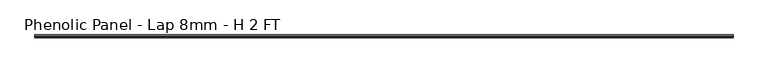
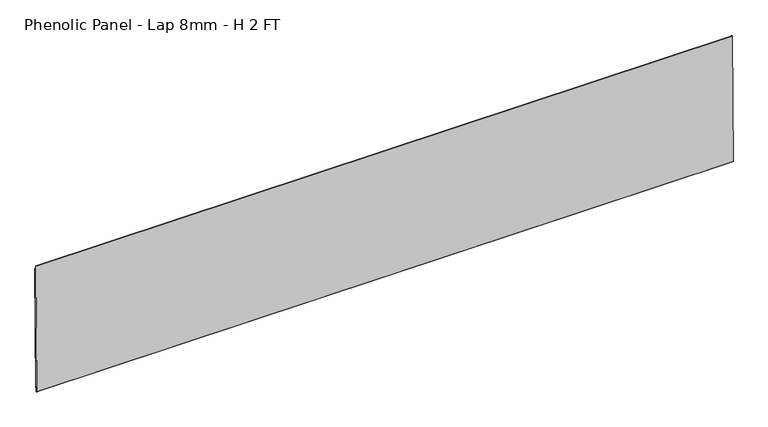
"""IFC4 building model written with IfcOpenShell, lengths in millimetres: proxy geometry, Phenolic Panel - Lap 8mm - H 2 FT."""

from ifc_helpers import new_model, si_unit, frame, origin, place, context, project, spatial, polyline, outline, extrude, source, transform, mapped, element, save


def phenolic_panel_lap_8mm_h_2_ft_3bb7f3e2(model_context):
    return source(origin(), model_context, "Body", "SweptSolid", [
        extrude(outline(polyline([(2.7732555, 593.6735917), (-2.4688477, 47.5987522), (-4.849988, 47.6216102), (-4.7737946, 55.5587445), (-7.3533633, 55.5835073), (-7.5819434, 31.7721044), (-9.5523841, 31.7910199), (-10.5487117, 32.8066615), (-5.0211492, 608.618069), (-4.0055075, 609.6143966), (-2.6240021, 609.6011347), (-2.7763888, 593.7268661), (2.7732555, 593.6735917)])), frame((-1819.275, 0.0, 0.0), z_axis=(1.0, 0.0, 0.0), x_axis=(0.0, 1.0, 0.0)), (0.0, 0.0, 1.0), 3038.475),
    ])


if __name__ == "__main__":
    model = new_model("IFC4")
    model_context = context("Model", 3, world=origin())
    ifc_project = project(units=[si_unit("LENGTHUNIT", "METRE", prefix="MILLI")], contexts=[model_context])
    site = spatial("IfcSite", under=ifc_project)
    building = spatial("IfcBuilding", under=site)
    placement = place(None, origin())
    phenolic_panel_lap_8mm_h_2_ft_shape = phenolic_panel_lap_8mm_h_2_ft_3bb7f3e2(model_context)
    element("IfcBuildingElementProxy", 1, Name="Phenolic Panel - Lap 8mm - H 2 FT", ObjectType="Phenolic Panel - Lap 8mm - H 2 FT", at=placement, inside=building, context=model_context, shape_type="MappedRepresentation", body=[
        mapped(phenolic_panel_lap_8mm_h_2_ft_shape, transform((0.0, 0.0, 0.0), x_axis=(1.0, 0.0, 0.0), y_axis=(0.0, 1.0, 0.0), z_axis=(0.0, 0.0, 1.0))),
    ])
    save(model, "model.ifc")
